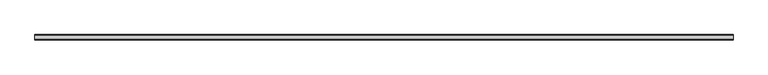
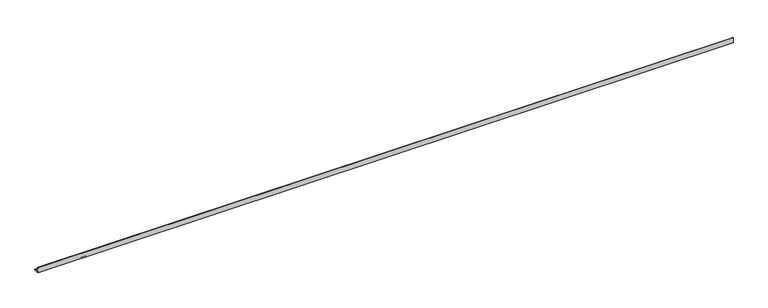
"""IFC4 building model written with IfcOpenShell, lengths in millimetres: beam geometry."""

from ifc_helpers import new_model, si_unit, point, frame, frame_2d, origin, place, context, project, spatial, polyline, circle_curve, trimmed, segment, composite_curve, outline, extrude, source, transform, mapped, element, save


def beam_41fcb6b4(model_context):
    return source(origin(), model_context, "Body", "SweptSolid", [
        extrude(outline(composite_curve([segment(polyline([(-21.3, -21.3), (-21.3, 53.7), (-18.3, 53.7)]), True, "CONTINUOUS"), segment(trimmed(circle_curve(frame_2d((-18.3, 48.7)), 5.0), [point((-18.3, 53.7))], [point((-13.3, 48.7))], False, "CARTESIAN"), True, "CONTINUOUS"), segment(polyline([(-13.3, 48.7), (-13.3, -5.3)]), True, "CONTINUOUS"), segment(trimmed(circle_curve(frame_2d((-5.3, -5.3)), 8.0), [point((-13.3, -5.3))], [point((-5.3, -13.3))], True, "CARTESIAN"), True, "CONTINUOUS"), segment(polyline([(-5.3, -13.3), (48.7, -13.3)]), True, "CONTINUOUS"), segment(trimmed(circle_curve(frame_2d((48.7, -18.3)), 5.0), [point((48.7, -13.3))], [point((53.7, -18.3))], False, "CARTESIAN"), True, "CONTINUOUS"), segment(polyline([(53.7, -18.3), (53.7, -21.3), (-21.3, -21.3)]), True, "CONTINUOUS")], self_intersect=False)), frame((-4947.0, 0.0, 0.0), z_axis=(1.0, 0.0, 0.0), x_axis=(0.0, 1.0, 0.0)), (0.0, 0.0, 1.0), 9892.0),
    ])


if __name__ == "__main__":
    model = new_model("IFC4")
    model_context = context("Model", 3, world=origin())
    ifc_project = project(units=[si_unit("LENGTHUNIT", "METRE", prefix="MILLI")], contexts=[model_context])
    site = spatial("IfcSite", under=ifc_project)
    building = spatial("IfcBuilding", under=site)
    placement = place(None, origin())
    beam_shape = beam_41fcb6b4(model_context)
    element("IfcBeam", 1, at=placement, inside=building, context=model_context, shape_type="MappedRepresentation", body=[
        mapped(beam_shape, transform((0.0, 0.0, 0.0), x_axis=(1.0, 0.0, 0.0), y_axis=(0.0, 1.0, 0.0), z_axis=(0.0, 0.0, 1.0))),
    ])
    save(model, "model.ifc")
